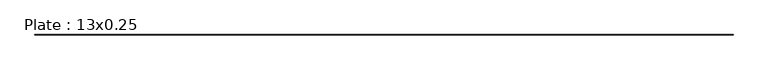
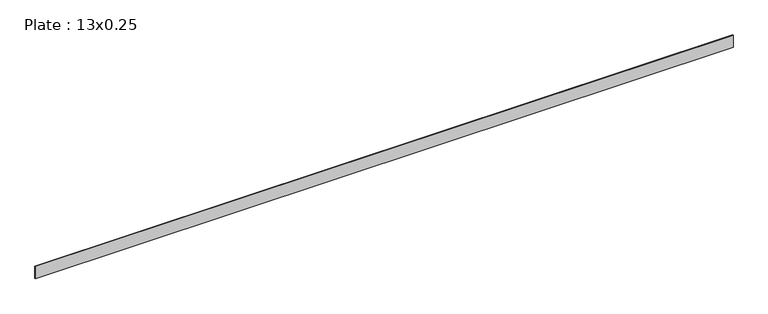
"""IFC4 building model written with IfcOpenShell, lengths in millimetres: beam geometry, Plate : 13x0.25."""

from ifc_helpers import new_model, si_unit, frame, origin, place, context, project, spatial, polyline, outline, extrude, source, transform, mapped, element, save


def plate_13x0_25_ce47586c(model_context):
    return source(origin(), model_context, "Body", "SweptSolid", [
        extrude(outline(polyline([(8837.3044885, 3.175), (8837.3044885, -3.175), (-8701.3955115, -3.175), (-8701.3955115, 3.175), (8837.3044885, 3.175)])), frame((0.0, 0.0, -165.1), z_axis=(0.0, 0.0, 1.0), x_axis=(1.0, 0.0, 0.0)), (0.0, 0.0, 1.0), 330.2),
    ])


if __name__ == "__main__":
    model = new_model("IFC4")
    model_context = context("Model", 3, world=origin())
    ifc_project = project(units=[si_unit("LENGTHUNIT", "METRE", prefix="MILLI")], contexts=[model_context])
    site = spatial("IfcSite", under=ifc_project)
    building = spatial("IfcBuilding", under=site)
    placement = place(None, origin())
    plate_13x0_25_shape = plate_13x0_25_ce47586c(model_context)
    element("IfcBeam", 1, ObjectType="Plate : 13x0.25", at=placement, inside=building, context=model_context, shape_type="MappedRepresentation", body=[
        mapped(plate_13x0_25_shape, transform((0.0, 0.0, 0.0), x_axis=(1.0, 0.0, 0.0), y_axis=(0.0, 1.0, 0.0), z_axis=(0.0, 0.0, 1.0))),
    ])
    save(model, "model.ifc")
